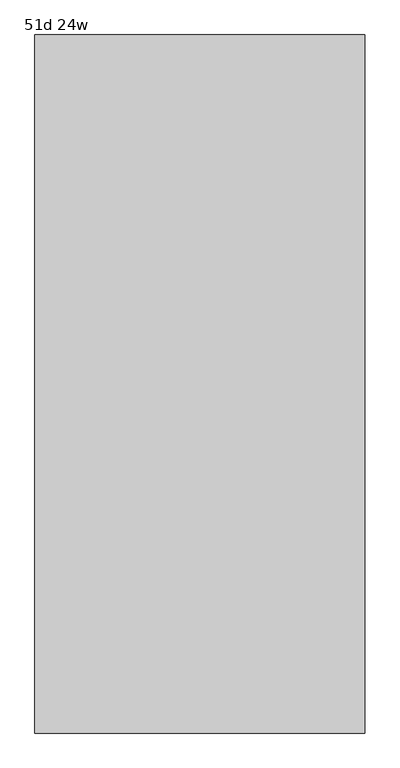
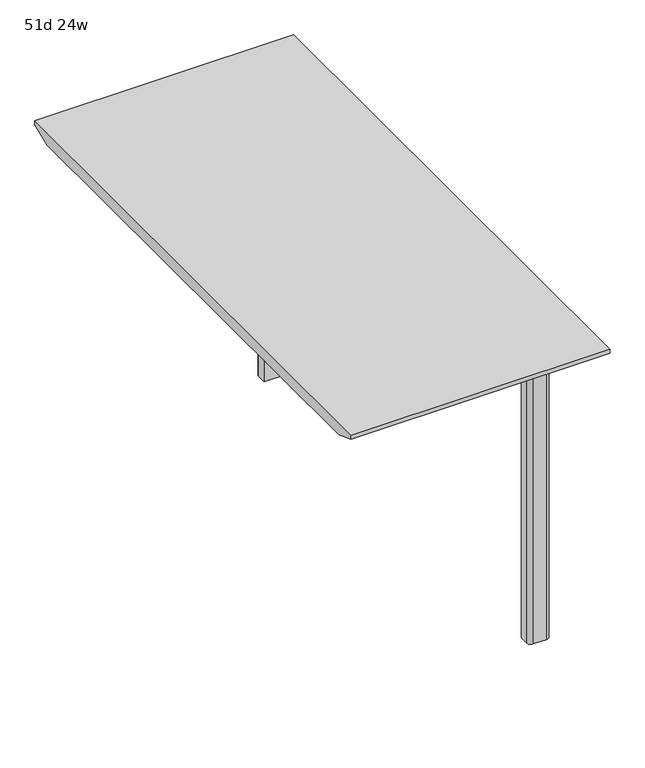
"""IFC4 building model written with IfcOpenShell, lengths in millimetres: furniture geometry, 51d 24w."""

from ifc_helpers import new_model, si_unit, point, frame_2d, origin, origin_with_axes, place, context, project, spatial, polyline, circle_curve, trimmed, segment, composite_curve, outline, extrude, faceted_brep, source, transform, mapped, element, save


def furniture_51d_24w_05ac2409(model_context):
    return source(origin(), model_context, "Body", "SolidModel", [
        extrude(outline(composite_curve([segment(polyline([(431.8, 320.4034766), (431.8, 298.1784766)]), True, "CONTINUOUS"), segment(trimmed(circle_curve(frame_2d((422.275, 298.1784766)), 9.525), [point((431.8, 298.1784766))], [point((422.275, 288.6534766))], False, "CARTESIAN"), True, "CONTINUOUS"), segment(polyline([(422.275, 288.6534766), (390.525, 288.6534766)]), True, "CONTINUOUS"), segment(trimmed(circle_curve(frame_2d((390.525, 298.1784766)), 9.525), [point((390.525, 288.6534766))], [point((381.0, 298.1784766))], False, "CARTESIAN"), True, "CONTINUOUS"), segment(polyline([(381.0, 298.1784766), (381.0, 320.4034766), (431.8, 320.4034766)]), True, "CONTINUOUS")], self_intersect=False)), origin_with_axes(), (0.0, 0.0, 1.0), 711.2),
        extrude(outline(composite_curve([segment(polyline([(431.8, 1369.7409766), (381.0, 1369.7409766), (381.0, 1391.9659766)]), True, "CONTINUOUS"), segment(trimmed(circle_curve(frame_2d((390.525, 1391.9659766)), 9.525), [point((381.0, 1391.9659766))], [point((390.525, 1401.4909766))], False, "CARTESIAN"), True, "CONTINUOUS"), segment(polyline([(390.525, 1401.4909766), (422.275, 1401.4909766)]), True, "CONTINUOUS"), segment(trimmed(circle_curve(frame_2d((422.275, 1391.9659766)), 9.525), [point((422.275, 1401.4909766))], [point((431.8, 1391.9659766))], False, "CARTESIAN"), True, "CONTINUOUS"), segment(polyline([(431.8, 1391.9659766), (431.8, 1369.7409766)]), True, "CONTINUOUS")], self_intersect=False)), origin_with_axes(), (0.0, 0.0, 1.0), 711.2),
        faceted_brep([(520.7, 199.7534766, 741.3625), (520.7, 1490.3909766, 741.3625), (-88.9, 1490.3909766, 741.3625), (-88.9, 199.7534766, 741.3625), (-88.9, 1439.5909766, 711.2), (469.9, 1439.5909766, 711.2), (469.9, 250.5534766, 711.2), (-88.9, 250.5534766, 711.2), (-88.9, 199.7534766, 731.8375), (520.7, 199.7534766, 731.8375), (-88.9, 1490.3909766, 731.8375), (520.7, 1490.3909766, 731.8375)], [[[0, 1, 2, 3]], [[4, 5, 6, 7]], [[3, 8, 9, 0]], [[2, 10, 4, 7, 8, 3]], [[1, 11, 10, 2]], [[0, 9, 11, 1]], [[10, 11, 5, 4]], [[8, 7, 6, 9]], [[5, 11, 9, 6]]]),
    ])


if __name__ == "__main__":
    model = new_model("IFC4")
    model_context = context("Model", 3, world=origin())
    ifc_project = project(units=[si_unit("LENGTHUNIT", "METRE", prefix="MILLI")], contexts=[model_context])
    site = spatial("IfcSite", under=ifc_project)
    building = spatial("IfcBuilding", under=site)
    placement = place(None, origin())
    furniture_51d_24w_shape = furniture_51d_24w_05ac2409(model_context)
    element("IfcFurniture", 1, ObjectType="51d 24w", at=placement, inside=building, context=model_context, shape_type="MappedRepresentation", body=[
        mapped(furniture_51d_24w_shape, transform((0.0, 0.0, 0.0), x_axis=(1.0, 0.0, 0.0), y_axis=(0.0, 1.0, 0.0), z_axis=(0.0, 0.0, 1.0))),
    ])
    save(model, "model.ifc")
